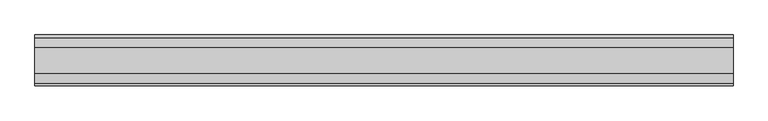
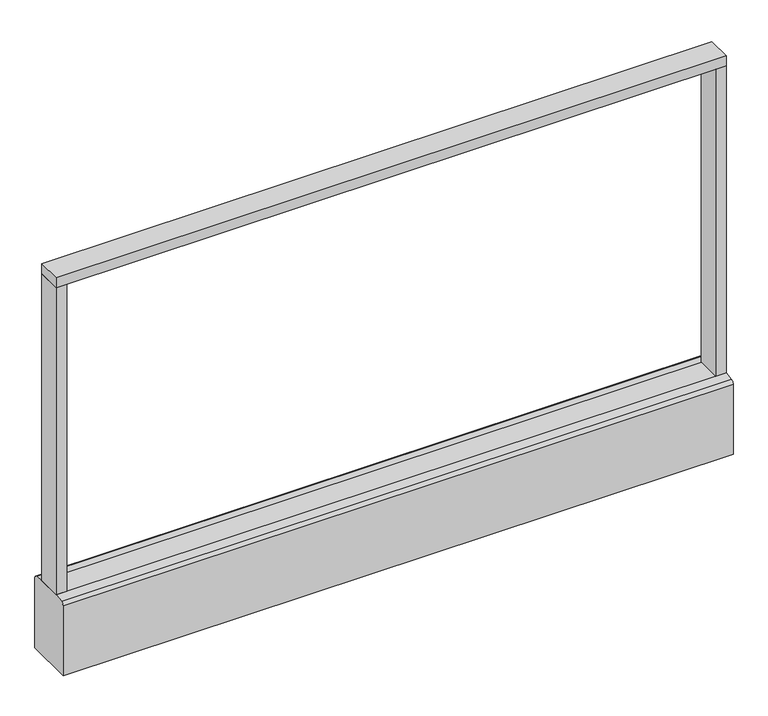
"""IFC4 building model written with IfcOpenShell, lengths in millimetres: furniture geometry."""

from ifc_helpers import new_model, si_unit, point, frame, frame_2d, origin, origin_with_axes, place, context, project, spatial, polyline, circle_curve, trimmed, segment, composite_curve, outline, extrude, source, transform, mapped, element, save


def furniture_29061069(model_context):
    return source(origin(), model_context, "Body", "SweptSolid", [
        extrude(outline(polyline([(609.6, -22.225), (-609.6, -22.225), (-609.6, 22.225), (609.6, 22.225), (609.6, -22.225)])), frame((0.0, 0.0, 742.95), z_axis=(0.0, 0.0, 1.0), x_axis=(1.0, 0.0, 0.0)), (0.0, 0.0, 1.0), 19.05),
        extrude(outline(composite_curve([segment(trimmed(circle_curve(frame_2d((-533.4, 0.0)), 23.415625), [point((-556.815625, 0.0))], [point((-509.984375, 0.0))], False, "CARTESIAN"), True, "CONTINUOUS"), segment(trimmed(circle_curve(frame_2d((-533.4, 0.0)), 23.415625), [point((-509.984375, 0.0))], [point((-556.815625, 0.0))], False, "CARTESIAN"), True, "CONTINUOUS")], self_intersect=False)), origin_with_axes(), (0.0, 0.0, 1.0), 6.35),
        extrude(outline(composite_curve([segment(trimmed(circle_curve(frame_2d((533.4, 0.0)), 23.415625), [point((509.984375, 0.0))], [point((556.815625, 0.0))], False, "CARTESIAN"), True, "CONTINUOUS"), segment(trimmed(circle_curve(frame_2d((533.4, 0.0)), 23.415625), [point((556.815625, 0.0))], [point((509.984375, 0.0))], False, "CARTESIAN"), True, "CONTINUOUS")], self_intersect=False)), origin_with_axes(), (0.0, 0.0, 1.0), 6.35),
        extrude(outline(polyline([(-590.5500091, -22.225), (-609.6, -22.225), (-609.6, 22.225), (-590.5500091, 22.225), (-590.5500091, -22.225)])), frame((0.0, 0.0, 152.4), z_axis=(0.0, 0.0, 1.0), x_axis=(1.0, 0.0, 0.0)), (0.0, 0.0, 1.0), 590.55),
        extrude(outline(polyline([(609.6, -22.225), (590.5500091, -22.225), (590.5500091, 22.225), (609.6, 22.225), (609.6, -22.225)])), frame((0.0, 0.0, 152.4), z_axis=(0.0, 0.0, 1.0), x_axis=(1.0, 0.0, 0.0)), (0.0, 0.0, 1.0), 590.55),
        extrude(outline(composite_curve([segment(polyline([(-22.225, 152.4), (22.225, 152.4), (39.43219, 149.94183)]), True, "CONTINUOUS"), segment(trimmed(circle_curve(frame_2d((38.605678, 144.1562464)), 5.844322), [point((39.43219, 149.94183))], [point((44.45, 144.1562464))], False, "CARTESIAN"), True, "CONTINUOUS"), segment(polyline([(44.45, 144.1562464), (44.45, 9.525), (-44.4433083, 9.525), (-44.4433083, 144.1572033)]), True, "CONTINUOUS"), segment(trimmed(circle_curve(frame_2d((-38.5989863, 144.1572033)), 5.844322), [point((-44.4433083, 144.1572033))], [point((-39.4222979, 149.9432432))], False, "CARTESIAN"), True, "CONTINUOUS"), segment(polyline([(-39.4222979, 149.9432432), (-22.225, 152.4)]), True, "CONTINUOUS")], self_intersect=False)), frame((-609.6, 0.0, 0.0), z_axis=(1.0, 0.0, 0.0), x_axis=(0.0, 1.0, 0.0)), (0.0, 0.0, 1.0), 1219.2),
        extrude(outline(composite_curve([segment(trimmed(circle_curve(frame_2d((-533.4, 0.0)), 5.55625), [point((-538.95625, 0.0))], [point((-527.84375, 0.0))], False, "CARTESIAN"), True, "CONTINUOUS"), segment(trimmed(circle_curve(frame_2d((-533.4, 0.0)), 5.55625), [point((-527.84375, 0.0))], [point((-538.95625, 0.0))], False, "CARTESIAN"), True, "CONTINUOUS")], self_intersect=False)), frame((0.0, 0.0, 6.35), z_axis=(0.0, 0.0, 1.0), x_axis=(1.0, 0.0, 0.0)), (0.0, 0.0, 1.0), 3.175),
        extrude(outline(composite_curve([segment(trimmed(circle_curve(frame_2d((533.4, 0.0)), 5.55625), [point((527.84375, 0.0))], [point((538.95625, 0.0))], False, "CARTESIAN"), True, "CONTINUOUS"), segment(trimmed(circle_curve(frame_2d((533.4, 0.0)), 5.55625), [point((538.95625, 0.0))], [point((527.84375, 0.0))], False, "CARTESIAN"), True, "CONTINUOUS")], self_intersect=False)), frame((0.0, 0.0, 6.35), z_axis=(0.0, 0.0, 1.0), x_axis=(1.0, 0.0, 0.0)), (0.0, 0.0, 1.0), 3.175),
    ])


if __name__ == "__main__":
    model = new_model("IFC4")
    model_context = context("Model", 3, world=origin())
    ifc_project = project(units=[si_unit("LENGTHUNIT", "METRE", prefix="MILLI")], contexts=[model_context])
    site = spatial("IfcSite", under=ifc_project)
    building = spatial("IfcBuilding", under=site)
    placement = place(None, origin())
    furniture_shape = furniture_29061069(model_context)
    element("IfcFurniture", 1, at=placement, inside=building, context=model_context, shape_type="MappedRepresentation", body=[
        mapped(furniture_shape, transform((0.0, 0.0, 0.0), x_axis=(1.0, 0.0, 0.0), y_axis=(0.0, 1.0, 0.0), z_axis=(0.0, 0.0, 1.0))),
    ])
    save(model, "model.ifc")
